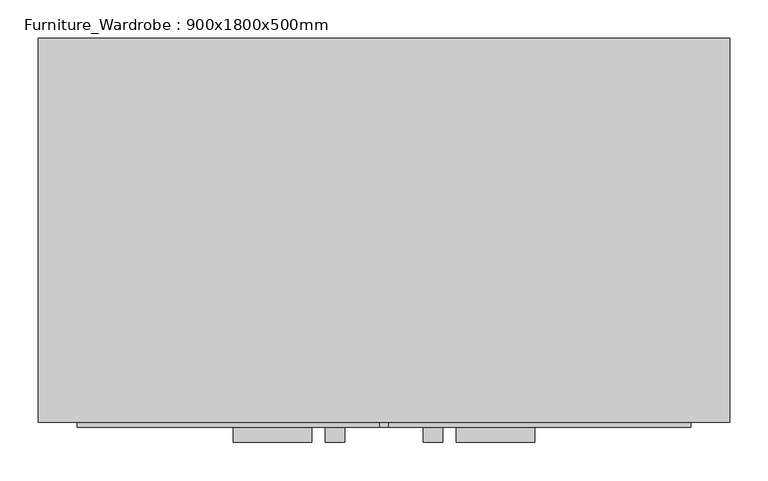
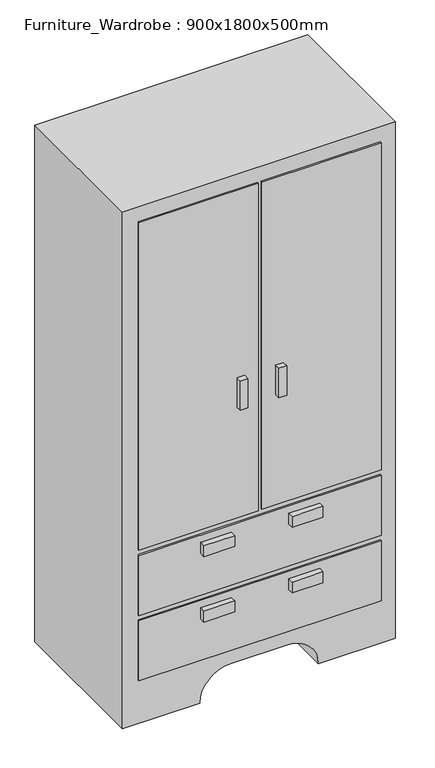
"""IFC4 building model written with IfcOpenShell, lengths in millimetres: furniture geometry, Furniture_Wardrobe : 900x1800x500mm."""

from ifc_helpers import new_model, si_unit, point, frame, frame_2d, origin, place, context, project, spatial, polyline, circle_curve, trimmed, segment, composite_curve, outline, extrude, source, transform, mapped, element, save


def furniture_wardrobe_900x1800x500mm_5ecfdc2b(model_context):
    return source(origin(), model_context, "Body", "SweptSolid", [
        extrude(outline(composite_curve([segment(polyline([(0.0, 180.8067402), (1800.0, 180.8067402), (1800.0, -719.1932598), (0.0, -719.1932598), (0.0, -465.1932598)]), True, "CONTINUOUS"), segment(trimmed(circle_curve(frame_2d((0.0, -363.5932598)), 101.6), [point((0.0, -465.1932598))], [point((101.6, -363.5932598))], True, "CARTESIAN"), True, "CONTINUOUS"), segment(polyline([(101.6, -363.5932598), (101.6, -174.7932598)]), True, "CONTINUOUS"), segment(trimmed(circle_curve(frame_2d((0.0, -174.7932598)), 101.6), [point((101.6, -174.7932598))], [point((0.0, -73.1932598))], True, "CARTESIAN"), True, "CONTINUOUS"), segment(polyline([(0.0, -73.1932598), (0.0, 180.8067402)]), True, "CONTINUOUS")], self_intersect=False)), frame((0.0, -833.7388096, 0.0), z_axis=(0.0, 1.0, 0.0), x_axis=(0.0, 0.0, 1.0)), (0.0, 0.0, 1.0), 500.0),
        extrude(outline(polyline([(-319.9932598, -859.1388096), (-345.3932598, -859.1388096), (-345.3932598, -840.0888096), (-319.9932598, -840.0888096), (-319.9932598, -859.1388096)])), frame((0.0, 0.0, 994.1), z_axis=(0.0, 0.0, 1.0), x_axis=(1.0, 0.0, 0.0)), (0.0, 0.0, 1.0), 101.6),
        extrude(outline(polyline([(-192.9932598, -859.1388096), (-218.3932598, -859.1388096), (-218.3932598, -840.0888096), (-192.9932598, -840.0888096), (-192.9932598, -859.1388096)])), frame((0.0, 0.0, 994.1), z_axis=(0.0, 0.0, 1.0), x_axis=(1.0, 0.0, 0.0)), (0.0, 0.0, 1.0), 101.6),
        extrude(outline(polyline([(-363.5932598, -859.1388096), (-465.1932598, -859.1388096), (-465.1932598, -840.0888096), (-363.5932598, -840.0888096), (-363.5932598, -859.1388096)])), frame((0.0, 0.0, 526.0785714), z_axis=(0.0, 0.0, 1.0), x_axis=(1.0, 0.0, 0.0)), (0.0, 0.0, 1.0), 38.1),
        extrude(outline(polyline([(-73.1932598, -859.1388096), (-174.7932598, -859.1388096), (-174.7932598, -840.0888096), (-73.1932598, -840.0888096), (-73.1932598, -859.1388096)])), frame((0.0, 0.0, 526.0785714), z_axis=(0.0, 0.0, 1.0), x_axis=(1.0, 0.0, 0.0)), (0.0, 0.0, 1.0), 38.1),
        extrude(outline(polyline([(-73.1932598, -859.1388096), (-174.7932598, -859.1388096), (-174.7932598, -840.0888096), (-73.1932598, -840.0888096), (-73.1932598, -859.1388096)])), frame((0.0, 0.0, 297.9642857), z_axis=(0.0, 0.0, 1.0), x_axis=(1.0, 0.0, 0.0)), (0.0, 0.0, 1.0), 38.1),
        extrude(outline(polyline([(-363.5932598, -859.1388096), (-465.1932598, -859.1388096), (-465.1932598, -840.0888096), (-363.5932598, -840.0888096), (-363.5932598, -859.1388096)])), frame((0.0, 0.0, 297.9642857), z_axis=(0.0, 0.0, 1.0), x_axis=(1.0, 0.0, 0.0)), (0.0, 0.0, 1.0), 38.1),
        extrude(outline(polyline([(130.0067402, -840.0888096), (-668.3932598, -840.0888096), (-668.3932598, -833.7388096), (130.0067402, -833.7388096), (130.0067402, -840.0888096)])), frame((0.0, 0.0, 380.5142857), z_axis=(0.0, 0.0, 1.0), x_axis=(1.0, 0.0, 0.0)), (0.0, 0.0, 1.0), 209.0642857),
        extrude(outline(polyline([(130.0067402, -840.0888096), (-668.3932598, -840.0888096), (-668.3932598, -833.7388096), (130.0067402, -833.7388096), (130.0067402, -840.0888096)])), frame((0.0, 0.0, 152.4), z_axis=(0.0, 0.0, 1.0), x_axis=(1.0, 0.0, 0.0)), (0.0, 0.0, 1.0), 209.0642857),
        extrude(outline(polyline([(-275.5432598, -840.0888096), (-668.3932598, -840.0888096), (-668.3932598, -833.7388096), (-275.5432598, -833.7388096), (-275.5432598, -840.0888096)])), frame((0.0, 0.0, 608.6285714), z_axis=(0.0, 0.0, 1.0), x_axis=(1.0, 0.0, 0.0)), (0.0, 0.0, 1.0), 1140.5714286),
        extrude(outline(polyline([(130.0067402, -840.0888096), (-262.8432598, -840.0888096), (-262.8432598, -833.7388096), (130.0067402, -833.7388096), (130.0067402, -840.0888096)])), frame((0.0, 0.0, 608.6285714), z_axis=(0.0, 0.0, 1.0), x_axis=(1.0, 0.0, 0.0)), (0.0, 0.0, 1.0), 1140.5714286),
    ])


if __name__ == "__main__":
    model = new_model("IFC4")
    model_context = context("Model", 3, world=origin())
    ifc_project = project(units=[si_unit("LENGTHUNIT", "METRE", prefix="MILLI")], contexts=[model_context])
    site = spatial("IfcSite", under=ifc_project)
    building = spatial("IfcBuilding", under=site)
    placement = place(None, origin())
    furniture_wardrobe_900x1800x500mm_shape = furniture_wardrobe_900x1800x500mm_5ecfdc2b(model_context)
    element("IfcFurniture", 1, ObjectType="Furniture_Wardrobe : 900x1800x500mm", at=placement, inside=building, context=model_context, shape_type="MappedRepresentation", body=[
        mapped(furniture_wardrobe_900x1800x500mm_shape, transform((0.0, 0.0, 0.0), x_axis=(1.0, 0.0, 0.0), y_axis=(0.0, 1.0, 0.0), z_axis=(0.0, 0.0, 1.0))),
    ])
    save(model, "model.ifc")
